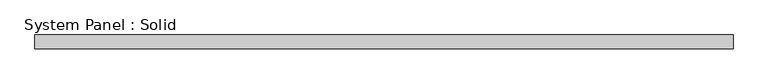
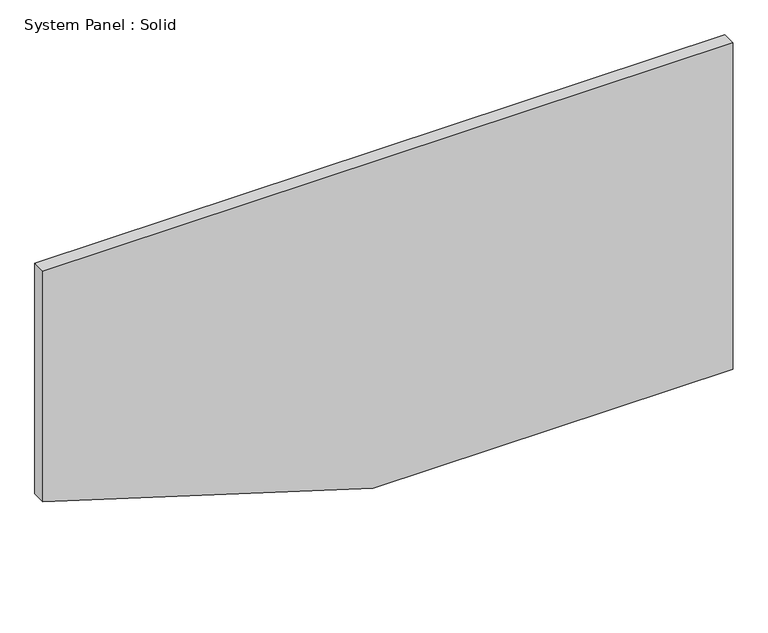
"""IFC4 building model written with IfcOpenShell, lengths in millimetres: plate geometry, System Panel : Solid."""

from ifc_helpers import new_model, si_unit, frame, origin, place, context, project, spatial, polyline, outline, extrude, source, transform, mapped, element, save


def system_panel_solid_78e853b7(model_context):
    return source(origin(), model_context, "Body", "SweptSolid", [
        extrude(outline(polyline([(0.0, -64.1563969), (0.0, 1500.0), (1500.0, 1500.0), (1500.0, -1500.0), (441.9836096, -1500.0), (0.0, -64.1563969)])), frame((0.0, -10.5, 0.0), z_axis=(0.0, 1.0, 0.0), x_axis=(0.0, 0.0, 1.0)), (0.0, 0.0, 1.0), 60.0),
    ])


if __name__ == "__main__":
    model = new_model("IFC4")
    model_context = context("Model", 3, world=origin())
    ifc_project = project(units=[si_unit("LENGTHUNIT", "METRE", prefix="MILLI")], contexts=[model_context])
    site = spatial("IfcSite", under=ifc_project)
    building = spatial("IfcBuilding", under=site)
    placement = place(None, origin())
    system_panel_solid_shape = system_panel_solid_78e853b7(model_context)
    element("IfcPlate", 1, ObjectType="System Panel : Solid", at=placement, inside=building, context=model_context, shape_type="MappedRepresentation", body=[
        mapped(system_panel_solid_shape, transform((0.0, 0.0, 0.0), x_axis=(1.0, 0.0, 0.0), y_axis=(0.0, 1.0, 0.0), z_axis=(0.0, 0.0, 1.0))),
    ])
    save(model, "model.ifc")
